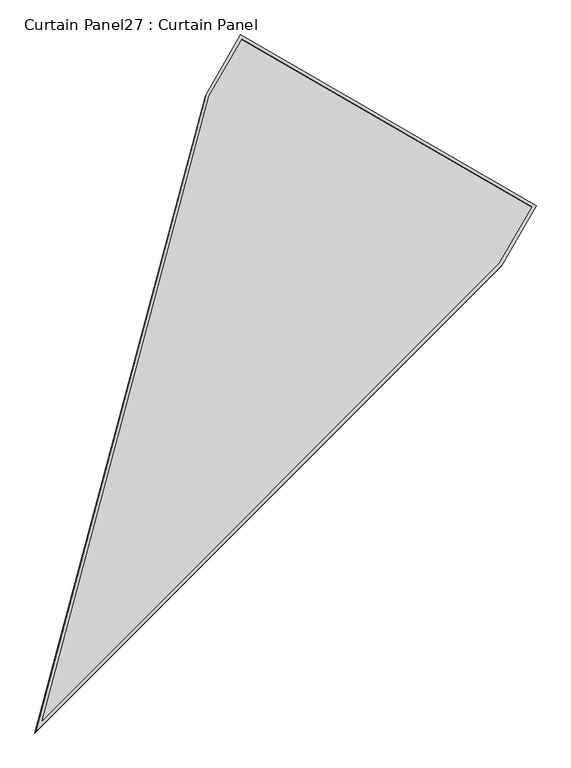
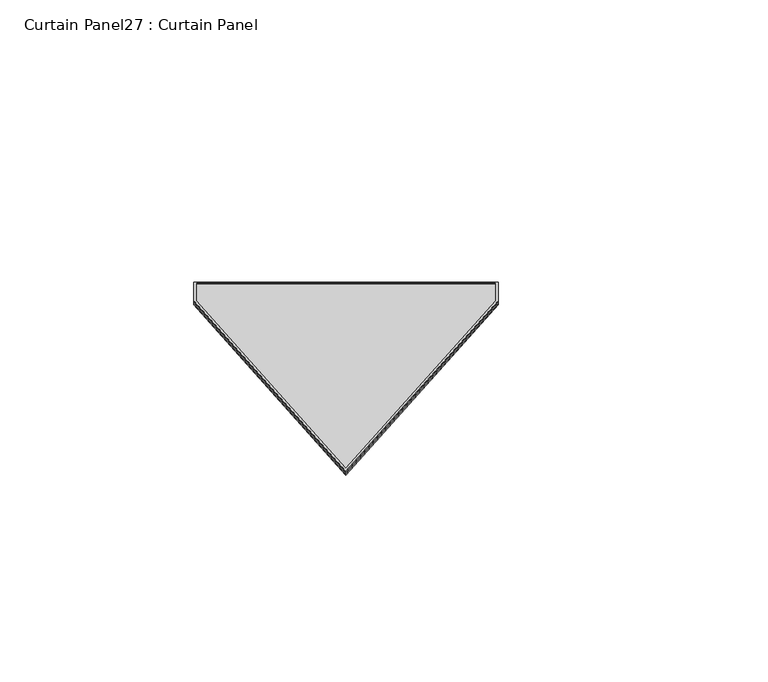
"""IFC4 building model written with IfcOpenShell, lengths in millimetres: plate geometry, Curtain Panel27 : Curtain Panel."""

from ifc_helpers import new_model, si_unit, frame, origin, place, context, project, spatial, polyline, outline, extrude, source, transform, mapped, element, save


def curtain_panel27_curtain_panel_daefc9bf(model_context):
    return source(origin(), model_context, "Body", "SweptSolid", [
        extrude(outline(polyline([(847.432027, -3694.3628804), (0.0, -360.7231448), (0.0, 0.0), (1694.8442516, 0.0), (1694.8442516, -360.8010438), (847.432027, -3694.3628804)]), holes=[polyline([(1678.1814537, -16.6627979), (16.6627979, -16.6627978), (16.6627978, -358.6384034), (847.432027, -3626.729796), (1678.1814537, -358.7163024), (1678.1814537, -16.6627979)])]), frame((13332.2607181, 4842.298106, 1930.4830539), z_axis=(0.15807291198690526, 0.27379031486167726, 0.9487106081329142), x_axis=(0.8660254037844339, -0.5000000000000083, 0.0)), (0.0, 0.0, 1.0), 4.8113593),
        extrude(outline(polyline([(847.432027, -3694.3628804), (0.0, -360.7231448), (0.0, 0.0), (1694.8442516, 0.0), (1694.8442516, -360.8010438), (847.432027, -3694.3628804)]), holes=[polyline([(1684.5314537, -10.3127979), (10.3127979, -10.3127978), (10.312798, -359.4328744), (847.432027, -3652.5039841), (1684.5314537, -359.5107733), (1684.5314537, -10.3127979)])]), frame((13329.4711428, 4837.4664199, 1913.740782), z_axis=(0.1580729119869056, 0.2737903148616772, 0.9487106081329142), x_axis=(0.8660254037844336, -0.5000000000000088, 0.0)), (0.0, 0.0, 1.0), 4.7793186),
        extrude(outline(polyline([(12.7, 0.0), (1707.5442516, 0.0), (1707.5442516, -360.8010438), (860.132027, -3694.3628804), (12.7, -360.7231448), (12.7, 0.0)])), frame((13319.228101, 4845.124951, 1918.2749722), z_axis=(0.15807291198690573, 0.27379031486167743, 0.9487106081329141), x_axis=(0.8660254037844335, -0.500000000000009, 0.0)), (0.0, 0.0, 1.0), 12.8680776),
    ])


if __name__ == "__main__":
    model = new_model("IFC4")
    model_context = context("Model", 3, world=origin())
    ifc_project = project(units=[si_unit("LENGTHUNIT", "METRE", prefix="MILLI")], contexts=[model_context])
    site = spatial("IfcSite", under=ifc_project)
    building = spatial("IfcBuilding", under=site)
    placement = place(None, origin())
    curtain_panel27_curtain_panel_shape = curtain_panel27_curtain_panel_daefc9bf(model_context)
    element("IfcPlate", 1, ObjectType="Curtain Panel27 : Curtain Panel", at=placement, inside=building, context=model_context, shape_type="MappedRepresentation", body=[
        mapped(curtain_panel27_curtain_panel_shape, transform((0.0, 0.0, 0.0), x_axis=(1.0, 0.0, 0.0), y_axis=(0.0, 1.0, 0.0), z_axis=(0.0, 0.0, 1.0))),
    ])
    save(model, "model.ifc")
